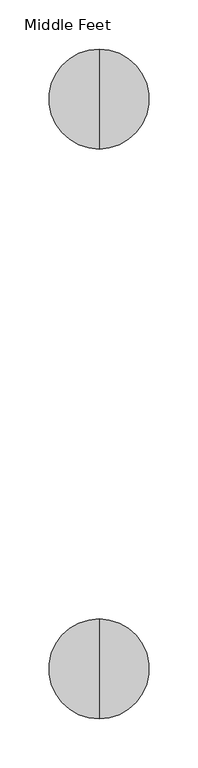
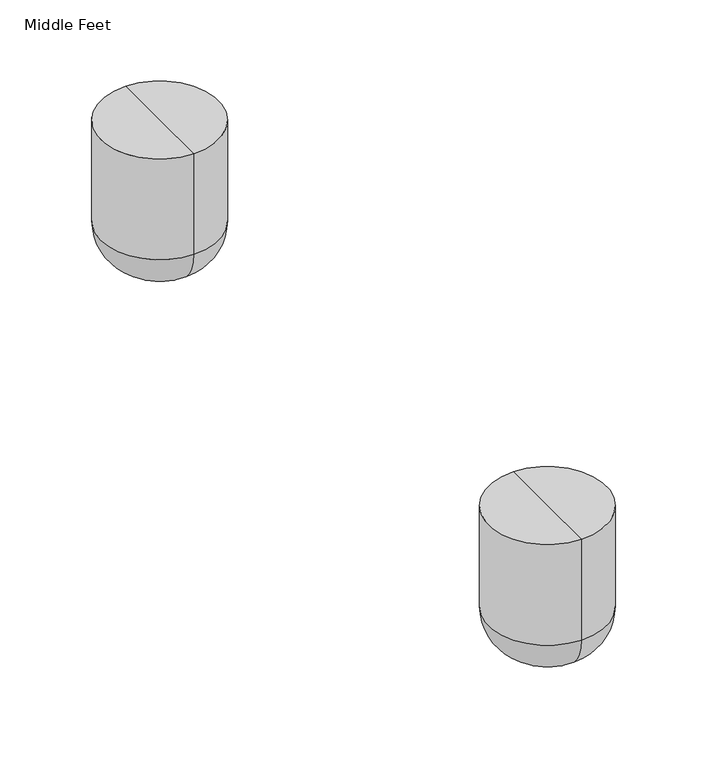
"""IFC4 building model written with IfcOpenShell, lengths in millimetres: furniture geometry, Middle Feet."""

from ifc_helpers import new_model, si_unit, point, frame, origin, place, context, project, spatial, circle_curve, ellipse_curve, trimmed, source, transform, mapped, element, save
from ifc_brep_helpers import plane_surface, cylinder_surface, revolved_surface, advanced_brep


def middle_feet_1eedb416(model_context):
    return source(origin(), model_context, "Body", "AdvancedBrep", [
        advanced_brep(
        [(71.789512, -747.4877706, 130.0907271), (71.789512, -696.5184037, 130.0907271), (71.789512, -645.5490367, 130.0907271), (71.789512, -747.4877706, 38.1), (71.789512, -645.5490367, 38.1), (71.789512, -709.3877706, 0.0), (71.789512, -683.6490367, 0.0), (71.789512, -696.5184037, 0.0)],
        [
            (0, 1),
            (1, 2),
            (2, 0, circle_curve(frame((71.789512, -696.5184037, 130.0907271), z_axis=(0.0, 0.0, 1.0), x_axis=(0.0, 1.0, 0.0)), 50.969367)),
            (0, 2, circle_curve(frame((71.789512, -696.5184037, 130.0907271), z_axis=(0.0, 0.0, 1.0), x_axis=(0.0, 1.0, 0.0)), 50.969367)),
            (3, 0),
            (2, 4),
            (4, 3, circle_curve(frame((71.789512, -696.5184037, 38.1), z_axis=(0.0, 0.0, 1.0), x_axis=(0.0, 1.0, 0.0)), 50.969367)),
            (3, 4, circle_curve(frame((71.789512, -696.5184037, 38.1), z_axis=(0.0, 0.0, 1.0), x_axis=(0.0, 1.0, 0.0)), 50.969367)),
            (5, 3, circle_curve(frame((71.789512, -709.3877706, 38.1), z_axis=(-1.0, 0.0, 0.0), x_axis=(0.0, -1.0, 0.0)), 38.1)),
            (4, 6, circle_curve(frame((71.789512, -683.6490367, 38.1), z_axis=(-1.0, 0.0, 0.0), x_axis=(0.0, 1.0, 0.0)), 38.1)),
            (6, 5, circle_curve(frame((71.789512, -696.5184037, 0.0), z_axis=(0.0, 0.0, 1.0), x_axis=(0.0, 1.0, 0.0)), 12.869367)),
            (5, 6, circle_curve(frame((71.789512, -696.5184037, 0.0), z_axis=(0.0, 0.0, 1.0), x_axis=(0.0, 1.0, 0.0)), 12.869367)),
            (7, 5),
            (6, 7),
        ],
        [
            plane_surface(frame((71.789512, -696.5184037, 130.0907271), z_axis=(0.0, 0.0, 1.0), x_axis=(0.0, 1.0, 0.0))),
            cylinder_surface(frame((71.789512, -696.5184037, 130.0907271), z_axis=(0.0, 0.0, -1.0), x_axis=(0.0, 1.0, 0.0)), 50.969367),
            revolved_surface(trimmed(ellipse_curve(frame((71.789512, -683.6490367, 38.1), z_axis=(-1.0, 0.0, 0.0), x_axis=(0.0, 1.0, 0.0)), 38.1, 38.1), [point((71.789512, -645.5490367, 38.1))], [point((71.789512, -683.6490367, 0.0))], True, "CARTESIAN"), (71.789512, -696.5184037, 130.0907271), (0.0, 0.0, -1.0)),
            plane_surface(frame((71.789512, -696.5184037, 0.0), z_axis=(0.0, 0.0, -1.0), x_axis=(0.0, 1.0, 0.0))),
        ],
        [
            (0, [[1, 2, 3]]),
            (0, [[-2, -1, 4]]),
            (1, [[5, -3, 6, 7]]),
            (1, [[-6, -4, -5, 8]]),
            (2, [[9, -7, 10, 11]]),
            (2, [[-10, -8, -9, 12]]),
            (3, [[13, -11, 14]]),
            (3, [[-14, -12, -13]]),
        ],
    ),
        advanced_brep(
        [(71.789512, -166.4627706, 130.0907271), (71.789512, -115.4934037, 130.0907271), (71.789512, -64.5240367, 130.0907271), (71.789512, -166.4627706, 38.1), (71.789512, -64.5240367, 38.1), (71.789512, -128.3627706, 0.0), (71.789512, -102.6240367, 0.0), (71.789512, -115.4934037, 0.0)],
        [
            (0, 1),
            (1, 2),
            (2, 0, circle_curve(frame((71.789512, -115.4934037, 130.0907271), z_axis=(0.0, 0.0, 1.0), x_axis=(0.0, 1.0, 0.0)), 50.969367)),
            (0, 2, circle_curve(frame((71.789512, -115.4934037, 130.0907271), z_axis=(0.0, 0.0, 1.0), x_axis=(0.0, 1.0, 0.0)), 50.969367)),
            (3, 0),
            (2, 4),
            (4, 3, circle_curve(frame((71.789512, -115.4934037, 38.1), z_axis=(0.0, 0.0, 1.0), x_axis=(0.0, 1.0, 0.0)), 50.969367)),
            (3, 4, circle_curve(frame((71.789512, -115.4934037, 38.1), z_axis=(0.0, 0.0, 1.0), x_axis=(0.0, 1.0, 0.0)), 50.969367)),
            (5, 3, circle_curve(frame((71.789512, -128.3627706, 38.1), z_axis=(-1.0, 0.0, 0.0), x_axis=(0.0, -1.0, 0.0)), 38.1)),
            (4, 6, circle_curve(frame((71.789512, -102.6240367, 38.1), z_axis=(-1.0, 0.0, 0.0), x_axis=(0.0, 1.0, 0.0)), 38.1)),
            (6, 5, circle_curve(frame((71.789512, -115.4934037, 0.0), z_axis=(0.0, 0.0, 1.0), x_axis=(0.0, 1.0, 0.0)), 12.869367)),
            (5, 6, circle_curve(frame((71.789512, -115.4934037, 0.0), z_axis=(0.0, 0.0, 1.0), x_axis=(0.0, 1.0, 0.0)), 12.869367)),
            (7, 5),
            (6, 7),
        ],
        [
            plane_surface(frame((71.789512, -115.4934037, 130.0907271), z_axis=(0.0, 0.0, 1.0), x_axis=(0.0, 1.0, 0.0))),
            cylinder_surface(frame((71.789512, -115.4934037, 130.0907271), z_axis=(0.0, 0.0, -1.0), x_axis=(0.0, 1.0, 0.0)), 50.969367),
            revolved_surface(trimmed(ellipse_curve(frame((71.789512, -102.6240367, 38.1), z_axis=(-1.0, 0.0, 0.0), x_axis=(0.0, 1.0, 0.0)), 38.1, 38.1), [point((71.789512, -64.5240367, 38.1))], [point((71.789512, -102.6240367, 0.0))], True, "CARTESIAN"), (71.789512, -115.4934037, 130.0907271), (0.0, 0.0, -1.0)),
            plane_surface(frame((71.789512, -115.4934037, 0.0), z_axis=(0.0, 0.0, -1.0), x_axis=(0.0, 1.0, 0.0))),
        ],
        [
            (0, [[1, 2, 3]]),
            (0, [[-2, -1, 4]]),
            (1, [[5, -3, 6, 7]]),
            (1, [[-6, -4, -5, 8]]),
            (2, [[9, -7, 10, 11]]),
            (2, [[-10, -8, -9, 12]]),
            (3, [[13, -11, 14]]),
            (3, [[-14, -12, -13]]),
        ],
    ),
    ])


if __name__ == "__main__":
    model = new_model("IFC4")
    model_context = context("Model", 3, world=origin())
    ifc_project = project(units=[si_unit("LENGTHUNIT", "METRE", prefix="MILLI")], contexts=[model_context])
    site = spatial("IfcSite", under=ifc_project)
    building = spatial("IfcBuilding", under=site)
    placement = place(None, origin())
    middle_feet_shape = middle_feet_1eedb416(model_context)
    element("IfcFurniture", 1, ObjectType="Middle Feet", at=placement, inside=building, context=model_context, shape_type="MappedRepresentation", body=[
        mapped(middle_feet_shape, transform((0.0, 0.0, 0.0), x_axis=(1.0, 0.0, 0.0), y_axis=(0.0, 1.0, 0.0), z_axis=(0.0, 0.0, 1.0))),
    ])
    save(model, "model.ifc")
